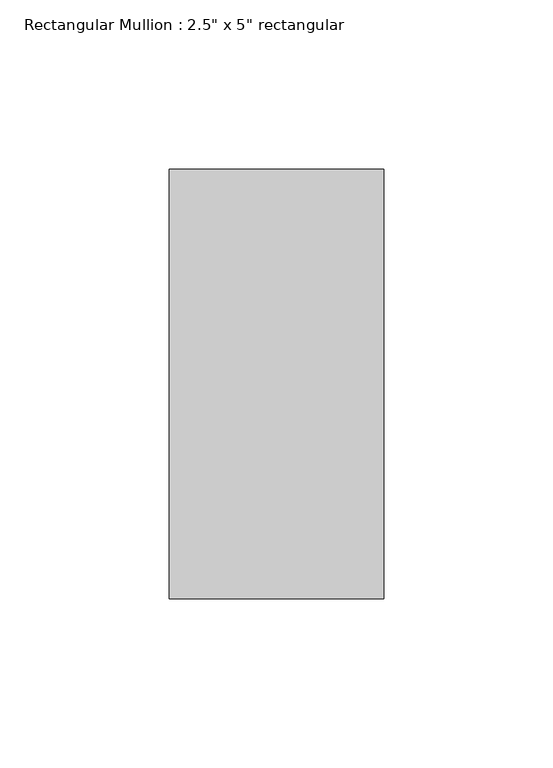
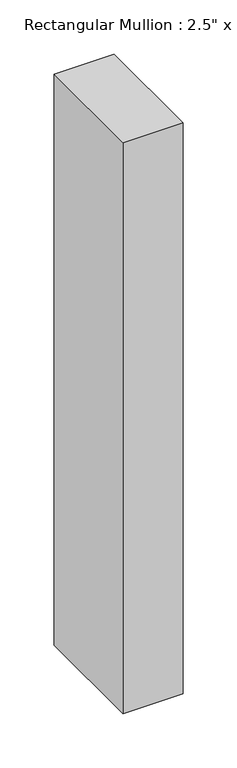
"""IFC4 building model written with IfcOpenShell, lengths in millimetres: member geometry."""

import ifcopenshell
import ifcopenshell.guid

model = None  # the IFC model being written
_history = None  # IfcOwnerHistory: only IFC2X3 demands one
_inside = {}  # id of a spatial element -> (the spatial element, [elements in it])
_under = {}  # id of a project, library or spatial element -> (it, [spatial elements below it])
_declared = {}  # id of a project -> (the project, [libraries it declares])
_typed = {}  # id of a type object -> (the type object, [elements of that type])
_made_of = {}  # id of a material, layer set ... -> (it, [elements and type objects made of it])


def new_model(schema):
    """Start an empty IFC model of exactly this schema.

    Asked for "IFC4X3", IfcOpenShell would pick the latest addendum, in which some entities
    have other attributes; the version numbers below select the first issue.
    IFC2X3 requires an IfcOwnerHistory on every rooted entity: one is made here for all.
    """
    global model, _history
    if schema == "IFC4X3":
        model = ifcopenshell.file(schema_version=(4, 3, 0, 0))
    else:
        model = ifcopenshell.file(schema=schema)
    _inside.clear()
    _under.clear()
    _declared.clear()
    _typed.clear()
    _made_of.clear()
    _history = None
    if model.schema == "IFC2X3":
        org = make("IfcOrganization", Name="unknown")
        user = make(
            "IfcPersonAndOrganization",
            ThePerson=make("IfcPerson", FamilyName="unknown"),
            TheOrganization=org,
        )
        app = make(
            "IfcApplication",
            ApplicationDeveloper=org,
            Version="unknown",
            ApplicationFullName="unknown",
            ApplicationIdentifier="unknown",
        )
        _history = make(
            "IfcOwnerHistory",
            OwningUser=user,
            OwningApplication=app,
            ChangeAction="ADDED",
            CreationDate=0,
        )
    return model


def make(cls, **values):
    """One entity of the class cls with the attributes given. An attribute that is None is left unset."""
    return model.create_entity(
        cls, **{name: value for name, value in values.items() if value is not None}
    )


def rooted(cls, **values):
    """An entity with a GlobalId (a new one), such as an element, a storey or a relation."""
    return make(cls, GlobalId=ifcopenshell.guid.new(), OwnerHistory=_history, **values)


def si_unit(unit_type, name, prefix=None):
    """IfcSIUnit, for example si_unit("LENGTHUNIT", "METRE", prefix="MILLI")."""
    return make("IfcSIUnit", UnitType=unit_type, Prefix=prefix, Name=name)


def assignment(units):
    """IfcUnitAssignment: the units of a project."""
    return None if units is None else make("IfcUnitAssignment", Units=units)


def point(xyz):
    """IfcCartesianPoint."""
    return None if xyz is None else make("IfcCartesianPoint", Coordinates=xyz)


def direction(xyz):
    """IfcDirection."""
    return None if xyz is None else make("IfcDirection", DirectionRatios=xyz)


def frame(location, z_axis=None, x_axis=None):
    """IfcAxis2Placement3D, a coordinate frame: its origin and axes. An axis left out is left unset."""
    return make(
        "IfcAxis2Placement3D",
        Location=point(location),
        Axis=direction(z_axis),
        RefDirection=direction(x_axis),
    )


def origin():
    """The frame at (0, 0, 0) with its axes left unset."""
    return frame((0.0, 0.0, 0.0))


def place(relative_to, where):
    """IfcLocalPlacement: puts the frame where relative to a parent placement (None: the world)."""
    return make(
        "IfcLocalPlacement", PlacementRelTo=relative_to, RelativePlacement=where
    )


def context(
    kind, dimensions, precision=None, world=None, true_north=None, identifier=None
):
    """IfcGeometricRepresentationContext, for example the 3D "Model" context."""
    return make(
        "IfcGeometricRepresentationContext",
        ContextIdentifier=identifier,
        ContextType=kind,
        CoordinateSpaceDimension=dimensions,
        Precision=precision,
        WorldCoordinateSystem=world,
        TrueNorth=true_north,
    )


def project(units=None, contexts=None):
    """IfcProject with its units and contexts."""
    return rooted(
        "IfcProject",
        Name="project",
        RepresentationContexts=contexts,
        UnitsInContext=assignment(units),
    )


def spatial(cls, under=None, at=None, **own):
    """A site, building, storey or space (cls), placed at a placement, below another one or the project."""
    s = rooted(cls, ObjectPlacement=at, **own)
    if under is not None:
        _under.setdefault(under.id(), (under, []))[1].append(s)
    return s


def polyline(points):
    """IfcPolyline through the points."""
    return make("IfcPolyline", Points=[point(p) for p in points])


def outline(outer, holes=None, kind="AREA"):
    """IfcArbitraryClosedProfileDef: a profile drawn as a closed curve; with holes, ...WithVoids."""
    if holes is None:
        return make("IfcArbitraryClosedProfileDef", ProfileType=kind, OuterCurve=outer)
    return make(
        "IfcArbitraryProfileDefWithVoids",
        ProfileType=kind,
        OuterCurve=outer,
        InnerCurves=holes,
    )


def extrude(swept, where, along, depth):
    """IfcExtrudedAreaSolid: the profile swept, set in the frame where, extruded along a direction by depth."""
    return make(
        "IfcExtrudedAreaSolid",
        SweptArea=swept,
        Position=where,
        ExtrudedDirection=direction(along),
        Depth=depth,
    )


def shape(context_of_items, identifier, shape_type, items):
    """IfcShapeRepresentation: the items that make up one representation, for example the "Body"."""
    return make(
        "IfcShapeRepresentation",
        ContextOfItems=context_of_items,
        RepresentationIdentifier=identifier,
        RepresentationType=shape_type,
        Items=items,
    )


def source(mapping_origin, context_of_items, identifier, shape_type, items):
    """IfcRepresentationMap: a shape defined once, which mapped items show again and again."""
    return make(
        "IfcRepresentationMap",
        MappingOrigin=mapping_origin,
        MappedRepresentation=shape(context_of_items, identifier, shape_type, items),
    )


def transform(
    local_origin,
    x_axis=None,
    y_axis=None,
    z_axis=None,
    scale=None,
    scale2=None,
    scale3=None,
    uniform=True,
):
    """IfcCartesianTransformationOperator3D, or its non-uniform kind. x_axis, y_axis, z_axis: its Axis1, 2, 3."""
    if uniform:
        return make(
            "IfcCartesianTransformationOperator3D",
            Axis1=direction(x_axis),
            Axis2=direction(y_axis),
            LocalOrigin=point(local_origin),
            Scale=scale,
            Axis3=direction(z_axis),
        )
    return make(
        "IfcCartesianTransformationOperator3DnonUniform",
        Axis1=direction(x_axis),
        Axis2=direction(y_axis),
        LocalOrigin=point(local_origin),
        Scale=scale,
        Axis3=direction(z_axis),
        Scale2=scale2,
        Scale3=scale3,
    )


def mapped(mapping_source, mapping_target):
    """IfcMappedItem: shows the shape of a source again, moved by a transform."""
    return make(
        "IfcMappedItem", MappingSource=mapping_source, MappingTarget=mapping_target
    )


def made_of(thing, what):
    """Note that an element or type object is made of a material, layer set ...; save() writes the relation."""
    if what is not None:
        _made_of.setdefault(what.id(), (what, []))[1].append(thing)
    return thing


def element(
    cls,
    number,
    at=None,
    inside=None,
    cuts=None,
    type_object=None,
    material=None,
    context=None,
    identifier="Body",
    shape_type=None,
    held_by="IfcProductDefinitionShape",
    body=None,
    shapes=None,
    **own,
):
    """One element of the class cls, such as IfcWall. Its Tag is "e" and its number.

    at: its placement. inside: the storey or other place that contains it. cuts: it is an
    opening in that element (IfcRelVoidsElement). A single representation is given by context,
    identifier, shape_type and body (its items); several are given by shapes. held_by: the class
    of the entity that holds the representations. save() writes the other relations.
    """
    e = rooted(cls, Tag="e%d" % number, ObjectPlacement=at, **own)
    if body is not None:
        shapes = [shape(context, identifier, shape_type, body)]
    if shapes is not None:
        e.Representation = make(held_by, Representations=shapes)
    if inside is not None:
        _inside.setdefault(inside.id(), (inside, []))[1].append(e)
    if cuts is not None:
        rooted(
            "IfcRelVoidsElement", RelatingBuildingElement=cuts, RelatedOpeningElement=e
        )
    if type_object is not None:
        _typed.setdefault(type_object.id(), (type_object, []))[1].append(e)
    return made_of(e, material)


def aggregate(whole, parts):
    """IfcRelAggregates: a whole, such as a stair, and the parts it consists of."""
    return rooted("IfcRelAggregates", RelatingObject=whole, RelatedObjects=parts)


def save(model, path):
    """Write the relations noted so far, then the file.

    IfcRelAggregates (storeys below a building ...), IfcRelContainedInSpatialStructure (elements
    in a storey), IfcRelDefinesByType, IfcRelAssociatesMaterial and IfcRelDeclares: one each for
    every whole, place, type object, material and project.
    """
    for whole, parts in _under.values():
        aggregate(whole, parts)
    for where, things in _inside.values():
        rooted(
            "IfcRelContainedInSpatialStructure",
            RelatedElements=things,
            RelatingStructure=where,
        )
    for kind, things in _typed.values():
        rooted("IfcRelDefinesByType", RelatedObjects=things, RelatingType=kind)
    for what, things in _made_of.values():
        rooted("IfcRelAssociatesMaterial", RelatedObjects=things, RelatingMaterial=what)
    for by, libraries in _declared.values():
        rooted("IfcRelDeclares", RelatingContext=by, RelatedDefinitions=libraries)
    model.write(path)


def member_369ed997(model_context):
    return source(origin(), model_context, "Body", "SweptSolid", [
        extrude(outline(polyline([(0.0, 63.5), (0.0, -63.5), (-63.5, -63.5), (-63.5, 63.5), (0.0, 63.5)])), frame((0.0, 0.0, -641.3500003), z_axis=(0.0, 0.0, 1.0), x_axis=(1.0, 0.0, 0.0)), (0.0, 0.0, 1.0), 641.3500003),
    ])


if __name__ == "__main__":
    model = new_model("IFC4")
    model_context = context("Model", 3, world=origin())
    ifc_project = project(units=[si_unit("LENGTHUNIT", "METRE", prefix="MILLI")], contexts=[model_context])
    site = spatial("IfcSite", under=ifc_project)
    building = spatial("IfcBuilding", under=site)
    placement = place(None, origin())
    member_shape = member_369ed997(model_context)
    element("IfcMember", 1, ObjectType="Rectangular Mullion : 2.5\" x 5\" rectangular", at=placement, inside=building, context=model_context, shape_type="MappedRepresentation", body=[
        mapped(member_shape, transform((0.0, 0.0, 0.0), x_axis=(1.0, 0.0, 0.0), y_axis=(0.0, 1.0, 0.0), z_axis=(0.0, 0.0, 1.0))),
    ])
    save(model, "model.ifc")
